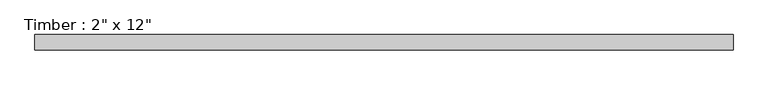
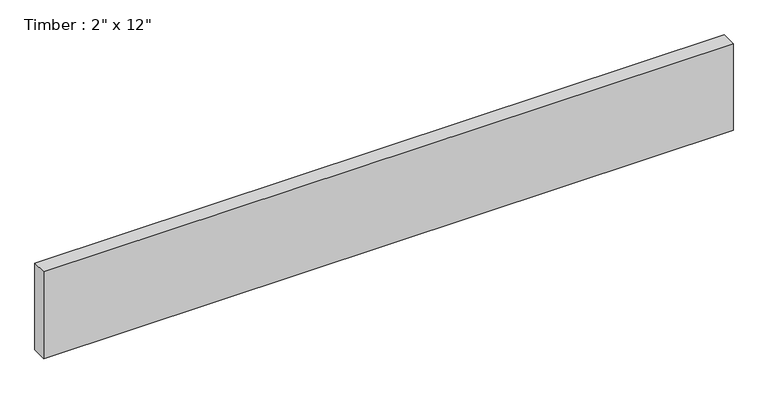
"""IFC4 building model written with IfcOpenShell, lengths in millimetres: beam geometry."""

from ifc_helpers import new_model, si_unit, frame, origin, place, context, project, spatial, polyline, outline, extrude, source, transform, mapped, element, save


def beam_4de7598c(model_context):
    return source(origin(), model_context, "Body", "SweptSolid", [
        extrude(outline(polyline([(1158.8885704, 25.4), (1158.8885704, -25.4), (-1132.0137938, -25.4), (-1132.0137938, 25.4), (1158.8885704, 25.4)])), frame((0.0, 0.0, -152.4), z_axis=(0.0, 0.0, 1.0), x_axis=(1.0, 0.0, 0.0)), (0.0, 0.0, 1.0), 304.8),
    ])


if __name__ == "__main__":
    model = new_model("IFC4")
    model_context = context("Model", 3, world=origin())
    ifc_project = project(units=[si_unit("LENGTHUNIT", "METRE", prefix="MILLI")], contexts=[model_context])
    site = spatial("IfcSite", under=ifc_project)
    building = spatial("IfcBuilding", under=site)
    placement = place(None, origin())
    beam_shape = beam_4de7598c(model_context)
    element("IfcBeam", 1, ObjectType="Timber : 2\" x 12\"", at=placement, inside=building, context=model_context, shape_type="MappedRepresentation", body=[
        mapped(beam_shape, transform((0.0, 0.0, 0.0), x_axis=(1.0, 0.0, 0.0), y_axis=(0.0, 1.0, 0.0), z_axis=(0.0, 0.0, 1.0))),
    ])
    save(model, "model.ifc")
